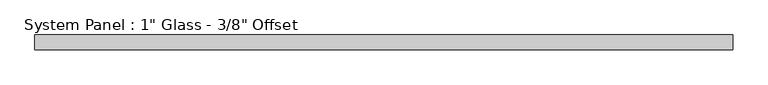
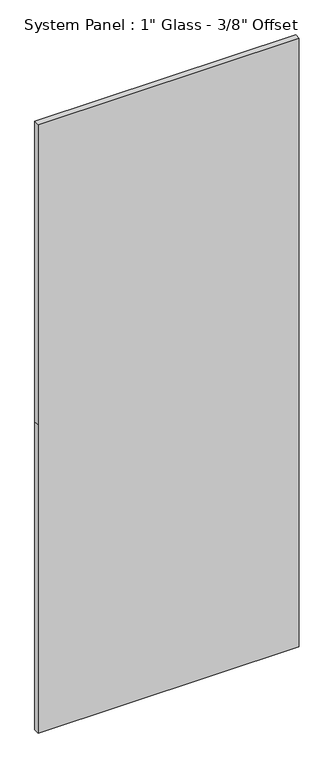
"""IFC4 building model written with IfcOpenShell, lengths in millimetres: plate geometry."""

import ifcopenshell
import ifcopenshell.guid

model = None  # the IFC model being written
_history = None  # IfcOwnerHistory: only IFC2X3 demands one
_inside = {}  # id of a spatial element -> (the spatial element, [elements in it])
_under = {}  # id of a project, library or spatial element -> (it, [spatial elements below it])
_declared = {}  # id of a project -> (the project, [libraries it declares])
_typed = {}  # id of a type object -> (the type object, [elements of that type])
_made_of = {}  # id of a material, layer set ... -> (it, [elements and type objects made of it])


def new_model(schema):
    """Start an empty IFC model of exactly this schema.

    Asked for "IFC4X3", IfcOpenShell would pick the latest addendum, in which some entities
    have other attributes; the version numbers below select the first issue.
    IFC2X3 requires an IfcOwnerHistory on every rooted entity: one is made here for all.
    """
    global model, _history
    if schema == "IFC4X3":
        model = ifcopenshell.file(schema_version=(4, 3, 0, 0))
    else:
        model = ifcopenshell.file(schema=schema)
    _inside.clear()
    _under.clear()
    _declared.clear()
    _typed.clear()
    _made_of.clear()
    _history = None
    if model.schema == "IFC2X3":
        org = make("IfcOrganization", Name="unknown")
        user = make(
            "IfcPersonAndOrganization",
            ThePerson=make("IfcPerson", FamilyName="unknown"),
            TheOrganization=org,
        )
        app = make(
            "IfcApplication",
            ApplicationDeveloper=org,
            Version="unknown",
            ApplicationFullName="unknown",
            ApplicationIdentifier="unknown",
        )
        _history = make(
            "IfcOwnerHistory",
            OwningUser=user,
            OwningApplication=app,
            ChangeAction="ADDED",
            CreationDate=0,
        )
    return model


def make(cls, **values):
    """One entity of the class cls with the attributes given. An attribute that is None is left unset."""
    return model.create_entity(
        cls, **{name: value for name, value in values.items() if value is not None}
    )


def rooted(cls, **values):
    """An entity with a GlobalId (a new one), such as an element, a storey or a relation."""
    return make(cls, GlobalId=ifcopenshell.guid.new(), OwnerHistory=_history, **values)


def si_unit(unit_type, name, prefix=None):
    """IfcSIUnit, for example si_unit("LENGTHUNIT", "METRE", prefix="MILLI")."""
    return make("IfcSIUnit", UnitType=unit_type, Prefix=prefix, Name=name)


def assignment(units):
    """IfcUnitAssignment: the units of a project."""
    return None if units is None else make("IfcUnitAssignment", Units=units)


def point(xyz):
    """IfcCartesianPoint."""
    return None if xyz is None else make("IfcCartesianPoint", Coordinates=xyz)


def direction(xyz):
    """IfcDirection."""
    return None if xyz is None else make("IfcDirection", DirectionRatios=xyz)


def frame(location, z_axis=None, x_axis=None):
    """IfcAxis2Placement3D, a coordinate frame: its origin and axes. An axis left out is left unset."""
    return make(
        "IfcAxis2Placement3D",
        Location=point(location),
        Axis=direction(z_axis),
        RefDirection=direction(x_axis),
    )


def origin():
    """The frame at (0, 0, 0) with its axes left unset."""
    return frame((0.0, 0.0, 0.0))


def place(relative_to, where):
    """IfcLocalPlacement: puts the frame where relative to a parent placement (None: the world)."""
    return make(
        "IfcLocalPlacement", PlacementRelTo=relative_to, RelativePlacement=where
    )


def context(
    kind, dimensions, precision=None, world=None, true_north=None, identifier=None
):
    """IfcGeometricRepresentationContext, for example the 3D "Model" context."""
    return make(
        "IfcGeometricRepresentationContext",
        ContextIdentifier=identifier,
        ContextType=kind,
        CoordinateSpaceDimension=dimensions,
        Precision=precision,
        WorldCoordinateSystem=world,
        TrueNorth=true_north,
    )


def project(units=None, contexts=None):
    """IfcProject with its units and contexts."""
    return rooted(
        "IfcProject",
        Name="project",
        RepresentationContexts=contexts,
        UnitsInContext=assignment(units),
    )


def spatial(cls, under=None, at=None, **own):
    """A site, building, storey or space (cls), placed at a placement, below another one or the project."""
    s = rooted(cls, ObjectPlacement=at, **own)
    if under is not None:
        _under.setdefault(under.id(), (under, []))[1].append(s)
    return s


def polyline(points):
    """IfcPolyline through the points."""
    return make("IfcPolyline", Points=[point(p) for p in points])


def outline(outer, holes=None, kind="AREA"):
    """IfcArbitraryClosedProfileDef: a profile drawn as a closed curve; with holes, ...WithVoids."""
    if holes is None:
        return make("IfcArbitraryClosedProfileDef", ProfileType=kind, OuterCurve=outer)
    return make(
        "IfcArbitraryProfileDefWithVoids",
        ProfileType=kind,
        OuterCurve=outer,
        InnerCurves=holes,
    )


def extrude(swept, where, along, depth):
    """IfcExtrudedAreaSolid: the profile swept, set in the frame where, extruded along a direction by depth."""
    return make(
        "IfcExtrudedAreaSolid",
        SweptArea=swept,
        Position=where,
        ExtrudedDirection=direction(along),
        Depth=depth,
    )


def shape(context_of_items, identifier, shape_type, items):
    """IfcShapeRepresentation: the items that make up one representation, for example the "Body"."""
    return make(
        "IfcShapeRepresentation",
        ContextOfItems=context_of_items,
        RepresentationIdentifier=identifier,
        RepresentationType=shape_type,
        Items=items,
    )


def source(mapping_origin, context_of_items, identifier, shape_type, items):
    """IfcRepresentationMap: a shape defined once, which mapped items show again and again."""
    return make(
        "IfcRepresentationMap",
        MappingOrigin=mapping_origin,
        MappedRepresentation=shape(context_of_items, identifier, shape_type, items),
    )


def transform(
    local_origin,
    x_axis=None,
    y_axis=None,
    z_axis=None,
    scale=None,
    scale2=None,
    scale3=None,
    uniform=True,
):
    """IfcCartesianTransformationOperator3D, or its non-uniform kind. x_axis, y_axis, z_axis: its Axis1, 2, 3."""
    if uniform:
        return make(
            "IfcCartesianTransformationOperator3D",
            Axis1=direction(x_axis),
            Axis2=direction(y_axis),
            LocalOrigin=point(local_origin),
            Scale=scale,
            Axis3=direction(z_axis),
        )
    return make(
        "IfcCartesianTransformationOperator3DnonUniform",
        Axis1=direction(x_axis),
        Axis2=direction(y_axis),
        LocalOrigin=point(local_origin),
        Scale=scale,
        Axis3=direction(z_axis),
        Scale2=scale2,
        Scale3=scale3,
    )


def mapped(mapping_source, mapping_target):
    """IfcMappedItem: shows the shape of a source again, moved by a transform."""
    return make(
        "IfcMappedItem", MappingSource=mapping_source, MappingTarget=mapping_target
    )


def made_of(thing, what):
    """Note that an element or type object is made of a material, layer set ...; save() writes the relation."""
    if what is not None:
        _made_of.setdefault(what.id(), (what, []))[1].append(thing)
    return thing


def element(
    cls,
    number,
    at=None,
    inside=None,
    cuts=None,
    type_object=None,
    material=None,
    context=None,
    identifier="Body",
    shape_type=None,
    held_by="IfcProductDefinitionShape",
    body=None,
    shapes=None,
    **own,
):
    """One element of the class cls, such as IfcWall. Its Tag is "e" and its number.

    at: its placement. inside: the storey or other place that contains it. cuts: it is an
    opening in that element (IfcRelVoidsElement). A single representation is given by context,
    identifier, shape_type and body (its items); several are given by shapes. held_by: the class
    of the entity that holds the representations. save() writes the other relations.
    """
    e = rooted(cls, Tag="e%d" % number, ObjectPlacement=at, **own)
    if body is not None:
        shapes = [shape(context, identifier, shape_type, body)]
    if shapes is not None:
        e.Representation = make(held_by, Representations=shapes)
    if inside is not None:
        _inside.setdefault(inside.id(), (inside, []))[1].append(e)
    if cuts is not None:
        rooted(
            "IfcRelVoidsElement", RelatingBuildingElement=cuts, RelatedOpeningElement=e
        )
    if type_object is not None:
        _typed.setdefault(type_object.id(), (type_object, []))[1].append(e)
    return made_of(e, material)


def aggregate(whole, parts):
    """IfcRelAggregates: a whole, such as a stair, and the parts it consists of."""
    return rooted("IfcRelAggregates", RelatingObject=whole, RelatedObjects=parts)


def save(model, path):
    """Write the relations noted so far, then the file.

    IfcRelAggregates (storeys below a building ...), IfcRelContainedInSpatialStructure (elements
    in a storey), IfcRelDefinesByType, IfcRelAssociatesMaterial and IfcRelDeclares: one each for
    every whole, place, type object, material and project.
    """
    for whole, parts in _under.values():
        aggregate(whole, parts)
    for where, things in _inside.values():
        rooted(
            "IfcRelContainedInSpatialStructure",
            RelatedElements=things,
            RelatingStructure=where,
        )
    for kind, things in _typed.values():
        rooted("IfcRelDefinesByType", RelatedObjects=things, RelatingType=kind)
    for what, things in _made_of.values():
        rooted("IfcRelAssociatesMaterial", RelatedObjects=things, RelatingMaterial=what)
    for by, libraries in _declared.values():
        rooted("IfcRelDeclares", RelatingContext=by, RelatedDefinitions=libraries)
    model.write(path)


def plate_ca7b0f26(model_context):
    return source(origin(), model_context, "Body", "SweptSolid", [
        extrude(outline(polyline([(0.0, -600.5091185), (0.0, 600.5091185), (1498.6, 600.5091185), (2959.1, 600.5091185), (2959.1, -600.5091185), (1498.6, -600.5091185), (0.0, -600.5091185)])), frame((0.0, -3.175, 0.0), z_axis=(0.0, 1.0, 0.0), x_axis=(0.0, 0.0, 1.0)), (0.0, 0.0, 1.0), 25.4),
    ])


if __name__ == "__main__":
    model = new_model("IFC4")
    model_context = context("Model", 3, world=origin())
    ifc_project = project(units=[si_unit("LENGTHUNIT", "METRE", prefix="MILLI")], contexts=[model_context])
    site = spatial("IfcSite", under=ifc_project)
    building = spatial("IfcBuilding", under=site)
    placement = place(None, origin())
    plate_shape = plate_ca7b0f26(model_context)
    element("IfcPlate", 1, ObjectType="System Panel : 1\" Glass - 3/8\" Offset", at=placement, inside=building, context=model_context, shape_type="MappedRepresentation", body=[
        mapped(plate_shape, transform((0.0, 0.0, 0.0), x_axis=(1.0, 0.0, 0.0), y_axis=(0.0, 1.0, 0.0), z_axis=(0.0, 0.0, 1.0))),
    ])
    save(model, "model.ifc")
